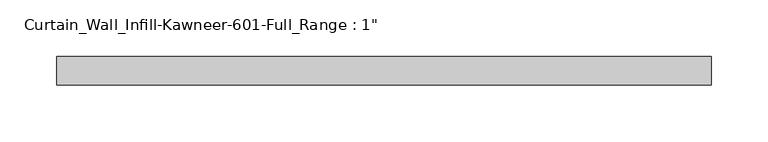
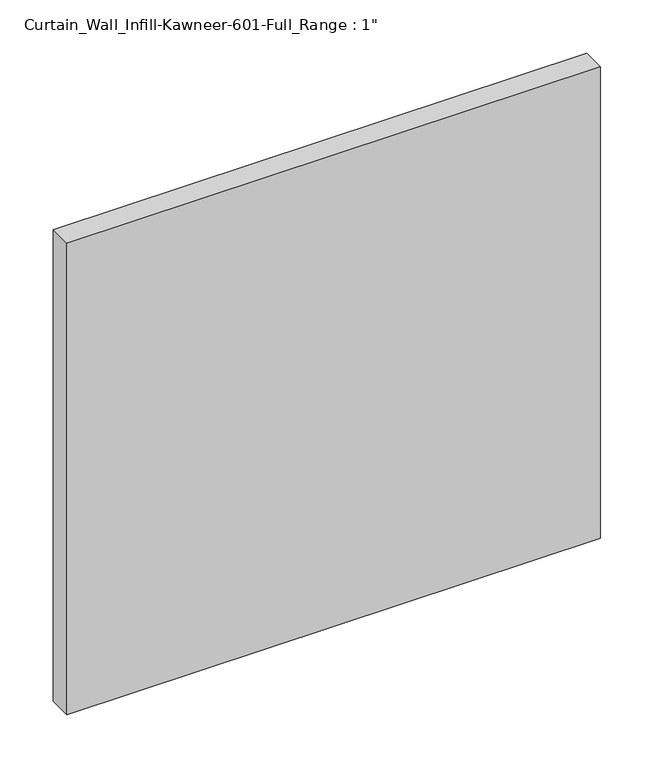
"""IFC4 building model written with IfcOpenShell, lengths in millimetres: plate geometry."""

import ifcopenshell
import ifcopenshell.guid

model = None  # the IFC model being written
_history = None  # IfcOwnerHistory: only IFC2X3 demands one
_inside = {}  # id of a spatial element -> (the spatial element, [elements in it])
_under = {}  # id of a project, library or spatial element -> (it, [spatial elements below it])
_declared = {}  # id of a project -> (the project, [libraries it declares])
_typed = {}  # id of a type object -> (the type object, [elements of that type])
_made_of = {}  # id of a material, layer set ... -> (it, [elements and type objects made of it])


def new_model(schema):
    """Start an empty IFC model of exactly this schema.

    Asked for "IFC4X3", IfcOpenShell would pick the latest addendum, in which some entities
    have other attributes; the version numbers below select the first issue.
    IFC2X3 requires an IfcOwnerHistory on every rooted entity: one is made here for all.
    """
    global model, _history
    if schema == "IFC4X3":
        model = ifcopenshell.file(schema_version=(4, 3, 0, 0))
    else:
        model = ifcopenshell.file(schema=schema)
    _inside.clear()
    _under.clear()
    _declared.clear()
    _typed.clear()
    _made_of.clear()
    _history = None
    if model.schema == "IFC2X3":
        org = make("IfcOrganization", Name="unknown")
        user = make(
            "IfcPersonAndOrganization",
            ThePerson=make("IfcPerson", FamilyName="unknown"),
            TheOrganization=org,
        )
        app = make(
            "IfcApplication",
            ApplicationDeveloper=org,
            Version="unknown",
            ApplicationFullName="unknown",
            ApplicationIdentifier="unknown",
        )
        _history = make(
            "IfcOwnerHistory",
            OwningUser=user,
            OwningApplication=app,
            ChangeAction="ADDED",
            CreationDate=0,
        )
    return model


def make(cls, **values):
    """One entity of the class cls with the attributes given. An attribute that is None is left unset."""
    return model.create_entity(
        cls, **{name: value for name, value in values.items() if value is not None}
    )


def rooted(cls, **values):
    """An entity with a GlobalId (a new one), such as an element, a storey or a relation."""
    return make(cls, GlobalId=ifcopenshell.guid.new(), OwnerHistory=_history, **values)


def si_unit(unit_type, name, prefix=None):
    """IfcSIUnit, for example si_unit("LENGTHUNIT", "METRE", prefix="MILLI")."""
    return make("IfcSIUnit", UnitType=unit_type, Prefix=prefix, Name=name)


def assignment(units):
    """IfcUnitAssignment: the units of a project."""
    return None if units is None else make("IfcUnitAssignment", Units=units)


def point(xyz):
    """IfcCartesianPoint."""
    return None if xyz is None else make("IfcCartesianPoint", Coordinates=xyz)


def direction(xyz):
    """IfcDirection."""
    return None if xyz is None else make("IfcDirection", DirectionRatios=xyz)


def frame(location, z_axis=None, x_axis=None):
    """IfcAxis2Placement3D, a coordinate frame: its origin and axes. An axis left out is left unset."""
    return make(
        "IfcAxis2Placement3D",
        Location=point(location),
        Axis=direction(z_axis),
        RefDirection=direction(x_axis),
    )


def origin():
    """The frame at (0, 0, 0) with its axes left unset."""
    return frame((0.0, 0.0, 0.0))


def origin_with_axes():
    """The frame at (0, 0, 0) with the z axis (0, 0, 1) and the x axis (1, 0, 0) written out."""
    return frame((0.0, 0.0, 0.0), z_axis=(0.0, 0.0, 1.0), x_axis=(1.0, 0.0, 0.0))


def place(relative_to, where):
    """IfcLocalPlacement: puts the frame where relative to a parent placement (None: the world)."""
    return make(
        "IfcLocalPlacement", PlacementRelTo=relative_to, RelativePlacement=where
    )


def context(
    kind, dimensions, precision=None, world=None, true_north=None, identifier=None
):
    """IfcGeometricRepresentationContext, for example the 3D "Model" context."""
    return make(
        "IfcGeometricRepresentationContext",
        ContextIdentifier=identifier,
        ContextType=kind,
        CoordinateSpaceDimension=dimensions,
        Precision=precision,
        WorldCoordinateSystem=world,
        TrueNorth=true_north,
    )


def project(units=None, contexts=None):
    """IfcProject with its units and contexts."""
    return rooted(
        "IfcProject",
        Name="project",
        RepresentationContexts=contexts,
        UnitsInContext=assignment(units),
    )


def spatial(cls, under=None, at=None, **own):
    """A site, building, storey or space (cls), placed at a placement, below another one or the project."""
    s = rooted(cls, ObjectPlacement=at, **own)
    if under is not None:
        _under.setdefault(under.id(), (under, []))[1].append(s)
    return s


def polyline(points):
    """IfcPolyline through the points."""
    return make("IfcPolyline", Points=[point(p) for p in points])


def outline(outer, holes=None, kind="AREA"):
    """IfcArbitraryClosedProfileDef: a profile drawn as a closed curve; with holes, ...WithVoids."""
    if holes is None:
        return make("IfcArbitraryClosedProfileDef", ProfileType=kind, OuterCurve=outer)
    return make(
        "IfcArbitraryProfileDefWithVoids",
        ProfileType=kind,
        OuterCurve=outer,
        InnerCurves=holes,
    )


def extrude(swept, where, along, depth):
    """IfcExtrudedAreaSolid: the profile swept, set in the frame where, extruded along a direction by depth."""
    return make(
        "IfcExtrudedAreaSolid",
        SweptArea=swept,
        Position=where,
        ExtrudedDirection=direction(along),
        Depth=depth,
    )


def shape(context_of_items, identifier, shape_type, items):
    """IfcShapeRepresentation: the items that make up one representation, for example the "Body"."""
    return make(
        "IfcShapeRepresentation",
        ContextOfItems=context_of_items,
        RepresentationIdentifier=identifier,
        RepresentationType=shape_type,
        Items=items,
    )


def source(mapping_origin, context_of_items, identifier, shape_type, items):
    """IfcRepresentationMap: a shape defined once, which mapped items show again and again."""
    return make(
        "IfcRepresentationMap",
        MappingOrigin=mapping_origin,
        MappedRepresentation=shape(context_of_items, identifier, shape_type, items),
    )


def transform(
    local_origin,
    x_axis=None,
    y_axis=None,
    z_axis=None,
    scale=None,
    scale2=None,
    scale3=None,
    uniform=True,
):
    """IfcCartesianTransformationOperator3D, or its non-uniform kind. x_axis, y_axis, z_axis: its Axis1, 2, 3."""
    if uniform:
        return make(
            "IfcCartesianTransformationOperator3D",
            Axis1=direction(x_axis),
            Axis2=direction(y_axis),
            LocalOrigin=point(local_origin),
            Scale=scale,
            Axis3=direction(z_axis),
        )
    return make(
        "IfcCartesianTransformationOperator3DnonUniform",
        Axis1=direction(x_axis),
        Axis2=direction(y_axis),
        LocalOrigin=point(local_origin),
        Scale=scale,
        Axis3=direction(z_axis),
        Scale2=scale2,
        Scale3=scale3,
    )


def mapped(mapping_source, mapping_target):
    """IfcMappedItem: shows the shape of a source again, moved by a transform."""
    return make(
        "IfcMappedItem", MappingSource=mapping_source, MappingTarget=mapping_target
    )


def made_of(thing, what):
    """Note that an element or type object is made of a material, layer set ...; save() writes the relation."""
    if what is not None:
        _made_of.setdefault(what.id(), (what, []))[1].append(thing)
    return thing


def element(
    cls,
    number,
    at=None,
    inside=None,
    cuts=None,
    type_object=None,
    material=None,
    context=None,
    identifier="Body",
    shape_type=None,
    held_by="IfcProductDefinitionShape",
    body=None,
    shapes=None,
    **own,
):
    """One element of the class cls, such as IfcWall. Its Tag is "e" and its number.

    at: its placement. inside: the storey or other place that contains it. cuts: it is an
    opening in that element (IfcRelVoidsElement). A single representation is given by context,
    identifier, shape_type and body (its items); several are given by shapes. held_by: the class
    of the entity that holds the representations. save() writes the other relations.
    """
    e = rooted(cls, Tag="e%d" % number, ObjectPlacement=at, **own)
    if body is not None:
        shapes = [shape(context, identifier, shape_type, body)]
    if shapes is not None:
        e.Representation = make(held_by, Representations=shapes)
    if inside is not None:
        _inside.setdefault(inside.id(), (inside, []))[1].append(e)
    if cuts is not None:
        rooted(
            "IfcRelVoidsElement", RelatingBuildingElement=cuts, RelatedOpeningElement=e
        )
    if type_object is not None:
        _typed.setdefault(type_object.id(), (type_object, []))[1].append(e)
    return made_of(e, material)


def aggregate(whole, parts):
    """IfcRelAggregates: a whole, such as a stair, and the parts it consists of."""
    return rooted("IfcRelAggregates", RelatingObject=whole, RelatedObjects=parts)


def save(model, path):
    """Write the relations noted so far, then the file.

    IfcRelAggregates (storeys below a building ...), IfcRelContainedInSpatialStructure (elements
    in a storey), IfcRelDefinesByType, IfcRelAssociatesMaterial and IfcRelDeclares: one each for
    every whole, place, type object, material and project.
    """
    for whole, parts in _under.values():
        aggregate(whole, parts)
    for where, things in _inside.values():
        rooted(
            "IfcRelContainedInSpatialStructure",
            RelatedElements=things,
            RelatingStructure=where,
        )
    for kind, things in _typed.values():
        rooted("IfcRelDefinesByType", RelatedObjects=things, RelatingType=kind)
    for what, things in _made_of.values():
        rooted("IfcRelAssociatesMaterial", RelatedObjects=things, RelatingMaterial=what)
    for by, libraries in _declared.values():
        rooted("IfcRelDeclares", RelatingContext=by, RelatedDefinitions=libraries)
    model.write(path)


def plate_9dd36972(model_context):
    return source(origin(), model_context, "Body", "SweptSolid", [
        extrude(outline(polyline([(-288.925, 12.7), (288.925, 12.7), (288.925, -12.7), (-288.925, -12.7), (-288.925, 12.7)])), origin_with_axes(), (0.0, 0.0, 1.0), 539.75),
    ])


if __name__ == "__main__":
    model = new_model("IFC4")
    model_context = context("Model", 3, world=origin())
    ifc_project = project(units=[si_unit("LENGTHUNIT", "METRE", prefix="MILLI")], contexts=[model_context])
    site = spatial("IfcSite", under=ifc_project)
    building = spatial("IfcBuilding", under=site)
    placement = place(None, origin())
    plate_shape = plate_9dd36972(model_context)
    element("IfcPlate", 1, ObjectType="Curtain_Wall_Infill-Kawneer-601-Full_Range : 1\"", at=placement, inside=building, context=model_context, shape_type="MappedRepresentation", body=[
        mapped(plate_shape, transform((0.0, 0.0, 0.0), x_axis=(1.0, 0.0, 0.0), y_axis=(0.0, 1.0, 0.0), z_axis=(0.0, 0.0, 1.0))),
    ])
    save(model, "model.ifc")
